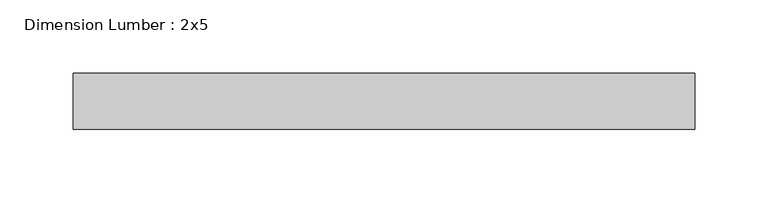
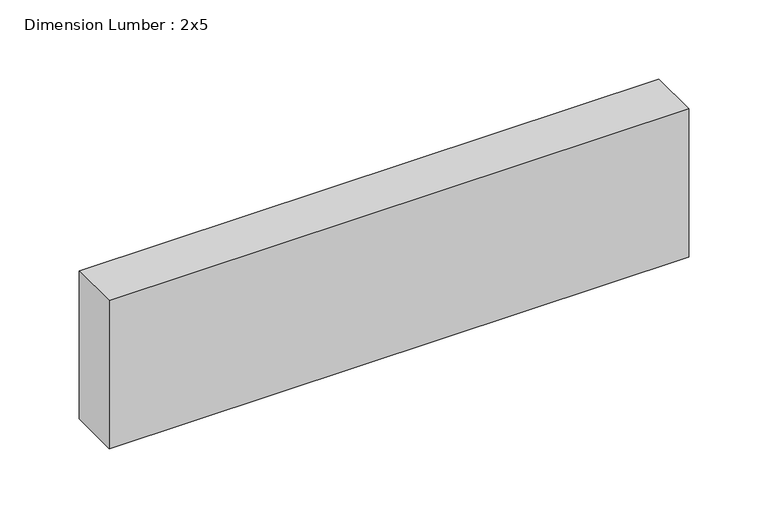
"""IFC4 building model written with IfcOpenShell, lengths in millimetres: beam geometry, Dimension Lumber : 2x5."""

from ifc_helpers import new_model, si_unit, frame, origin, place, context, project, spatial, polyline, outline, extrude, source, transform, mapped, element, save


def dimension_lumber_2x5_15abfc13(model_context):
    return source(origin(), model_context, "Body", "SweptSolid", [
        extrude(outline(polyline([(212.7848728, 19.05), (212.7848728, -19.05), (-210.603096, -19.05), (-210.603096, 19.05), (212.7848728, 19.05)])), frame((0.0, 0.0, -57.15), z_axis=(0.0, 0.0, 1.0), x_axis=(1.0, 0.0, 0.0)), (0.0, 0.0, 1.0), 114.3),
    ])


if __name__ == "__main__":
    model = new_model("IFC4")
    model_context = context("Model", 3, world=origin())
    ifc_project = project(units=[si_unit("LENGTHUNIT", "METRE", prefix="MILLI")], contexts=[model_context])
    site = spatial("IfcSite", under=ifc_project)
    building = spatial("IfcBuilding", under=site)
    placement = place(None, origin())
    dimension_lumber_2x5_shape = dimension_lumber_2x5_15abfc13(model_context)
    element("IfcBeam", 1, ObjectType="Dimension Lumber : 2x5", at=placement, inside=building, context=model_context, shape_type="MappedRepresentation", body=[
        mapped(dimension_lumber_2x5_shape, transform((0.0, 0.0, 0.0), x_axis=(1.0, 0.0, 0.0), y_axis=(0.0, 1.0, 0.0), z_axis=(0.0, 0.0, 1.0))),
    ])
    save(model, "model.ifc")
